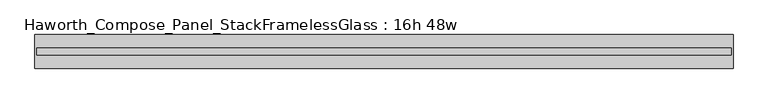
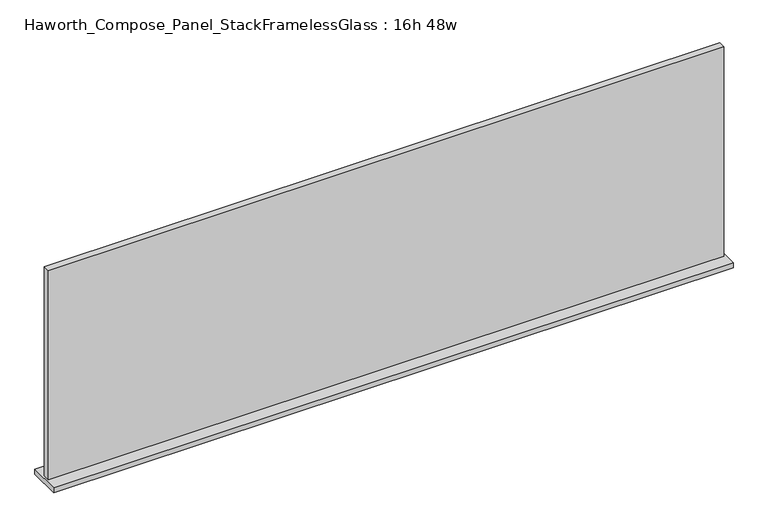
"""IFC4 building model written with IfcOpenShell, lengths in millimetres: furniture geometry, Haworth_Compose_Panel_StackFramelessGlass : 16h 48w."""

from ifc_helpers import new_model, si_unit, frame, origin, place, context, project, spatial, polyline, outline, extrude, source, transform, mapped, element, save


def haworth_compose_panel_stackframelessglass_16h_48w_faeb4fdf(model_context):
    return source(origin(), model_context, "Body", "SweptSolid", [
        extrude(outline(polyline([(608.8652902, -27.3093594), (-603.9847098, -27.3093594), (-603.9847098, -14.6093594), (608.8652902, -14.6093594), (608.8652902, -27.3093594)])), frame((0.0, 0.0, 1279.525), z_axis=(0.0, 0.0, 1.0), x_axis=(1.0, 0.0, 0.0)), (0.0, 0.0, 1.0), 396.875),
        extrude(outline(polyline([(-607.1597098, -50.3281094), (-607.1597098, 8.4093906), (612.0402902, 8.4093906), (612.0402902, -50.3281094), (-607.1597098, -50.3281094)])), frame((0.0, 0.0, 1270.0), z_axis=(0.0, 0.0, 1.0), x_axis=(1.0, 0.0, 0.0)), (0.0, 0.0, 1.0), 9.525),
    ])


if __name__ == "__main__":
    model = new_model("IFC4")
    model_context = context("Model", 3, world=origin())
    ifc_project = project(units=[si_unit("LENGTHUNIT", "METRE", prefix="MILLI")], contexts=[model_context])
    site = spatial("IfcSite", under=ifc_project)
    building = spatial("IfcBuilding", under=site)
    placement = place(None, origin())
    haworth_compose_panel_stackframelessglass_16h_48w_shape = haworth_compose_panel_stackframelessglass_16h_48w_faeb4fdf(model_context)
    element("IfcFurniture", 1, ObjectType="Haworth_Compose_Panel_StackFramelessGlass : 16h 48w", at=placement, inside=building, context=model_context, shape_type="MappedRepresentation", body=[
        mapped(haworth_compose_panel_stackframelessglass_16h_48w_shape, transform((0.0, 0.0, 0.0), x_axis=(1.0, 0.0, 0.0), y_axis=(0.0, 1.0, 0.0), z_axis=(0.0, 0.0, 1.0))),
    ])
    save(model, "model.ifc")
